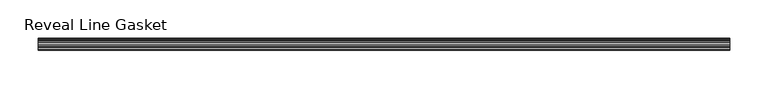
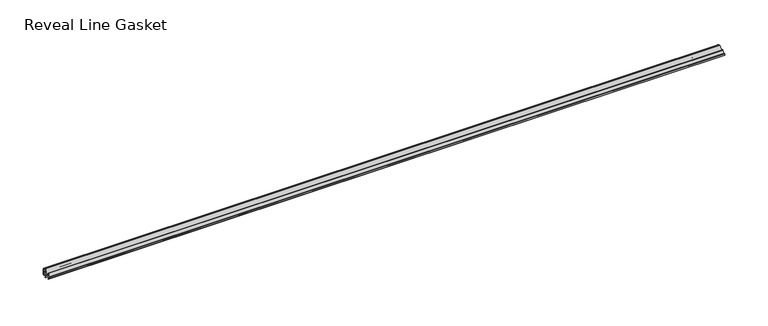
"""IFC4 building model written with IfcOpenShell, lengths in millimetres: furniture geometry, Reveal Line Gasket."""

from ifc_helpers import new_model, si_unit, point, frame, frame_2d, origin, place, context, project, spatial, polyline, circle_curve, trimmed, segment, composite_curve, outline, extrude, source, transform, mapped, element, save


def reveal_line_gasket_125bad6a(model_context):
    return source(origin(), model_context, "Body", "SweptSolid", [
        extrude(outline(composite_curve([segment(polyline([(7.6326998, 1603.2), (7.6326998, 1597.2), (7.4091917, 1596.2445073), (6.8813059, 1595.3115316)]), True, "CONTINUOUS"), segment(trimmed(circle_curve(frame_2d((6.5243141, 1595.5135207)), 0.4101739), [point((6.8813059, 1595.3115316))], [point((6.1246704, 1595.6058653))], False, "CARTESIAN"), True, "CONTINUOUS"), segment(polyline([(6.1246704, 1595.6058653), (6.3626997, 1597.3020914), (6.3626997, 1599.3345473)]), True, "CONTINUOUS"), segment(trimmed(circle_curve(frame_2d((5.6959605, 1598.9180742)), 0.786124), [point((6.3626997, 1599.3345473))], [point((5.0926996, 1599.422125))], True, "CARTESIAN"), True, "CONTINUOUS"), segment(polyline([(5.0926996, 1599.422125), (0.7492996, 1599.422125), (3.7293824, 1594.2604705)]), True, "CONTINUOUS"), segment(trimmed(circle_curve(frame_2d((3.3132479, 1594.1950239)), 0.4212495), [point((3.7293824, 1594.2604705))], [point((3.0485022, 1593.8673642))], False, "CARTESIAN"), True, "CONTINUOUS"), segment(polyline([(3.0485022, 1593.8673642), (-0.5742594, 1599.422125), (-4.8262978, 1599.422125), (-3.1660374, 1596.5464703)]), True, "CONTINUOUS"), segment(trimmed(circle_curve(frame_2d((-3.5978728, 1596.4881145)), 0.4357605), [point((-3.1660374, 1596.5464703))], [point((-3.864328, 1596.1433119))], False, "CARTESIAN"), True, "CONTINUOUS"), segment(polyline([(-3.864328, 1596.1433119), (-6.1944059, 1599.422125), (-7.6326998, 1599.422125), (-7.6326998, 1600.977875), (-6.1944059, 1600.977875), (-3.864328, 1604.2566881)]), True, "CONTINUOUS"), segment(trimmed(circle_curve(frame_2d((-3.5978728, 1603.9118855)), 0.4357605), [point((-3.864328, 1604.2566881))], [point((-3.1660374, 1603.8535297))], False, "CARTESIAN"), True, "CONTINUOUS"), segment(polyline([(-3.1660374, 1603.8535297), (-4.8262978, 1600.977875), (-0.5742594, 1600.977875), (3.0485022, 1606.5326358)]), True, "CONTINUOUS"), segment(trimmed(circle_curve(frame_2d((3.3132479, 1606.2049761)), 0.4212495), [point((3.0485022, 1606.5326358))], [point((3.7293824, 1606.1395295))], False, "CARTESIAN"), True, "CONTINUOUS"), segment(polyline([(3.7293824, 1606.1395295), (0.7492996, 1600.977875), (5.0926996, 1600.977875)]), True, "CONTINUOUS"), segment(trimmed(circle_curve(frame_2d((5.6959605, 1601.4819258)), 0.786124), [point((5.0926996, 1600.977875))], [point((6.3626997, 1601.0654527))], True, "CARTESIAN"), True, "CONTINUOUS"), segment(polyline([(6.3626997, 1601.0654527), (6.3626997, 1603.0979086), (6.1246704, 1604.7941347)]), True, "CONTINUOUS"), segment(trimmed(circle_curve(frame_2d((6.5243141, 1604.8864793)), 0.4101739), [point((6.1246704, 1604.7941347))], [point((6.8813059, 1605.0884684))], False, "CARTESIAN"), True, "CONTINUOUS"), segment(polyline([(6.8813059, 1605.0884684), (7.4091917, 1604.1554927), (7.6326998, 1603.2)]), True, "CONTINUOUS")], self_intersect=False)), frame((-448.9704, 0.0, 0.0), z_axis=(1.0, 0.0, 0.0), x_axis=(0.0, 1.0, 0.0)), (0.0, 0.0, 1.0), 897.9408),
    ])


if __name__ == "__main__":
    model = new_model("IFC4")
    model_context = context("Model", 3, world=origin())
    ifc_project = project(units=[si_unit("LENGTHUNIT", "METRE", prefix="MILLI")], contexts=[model_context])
    site = spatial("IfcSite", under=ifc_project)
    building = spatial("IfcBuilding", under=site)
    placement = place(None, origin())
    reveal_line_gasket_shape = reveal_line_gasket_125bad6a(model_context)
    element("IfcFurniture", 1, ObjectType="Reveal Line Gasket", at=placement, inside=building, context=model_context, shape_type="MappedRepresentation", body=[
        mapped(reveal_line_gasket_shape, transform((0.0, 0.0, 0.0), x_axis=(1.0, 0.0, 0.0), y_axis=(0.0, 1.0, 0.0), z_axis=(0.0, 0.0, 1.0))),
    ])
    save(model, "model.ifc")
